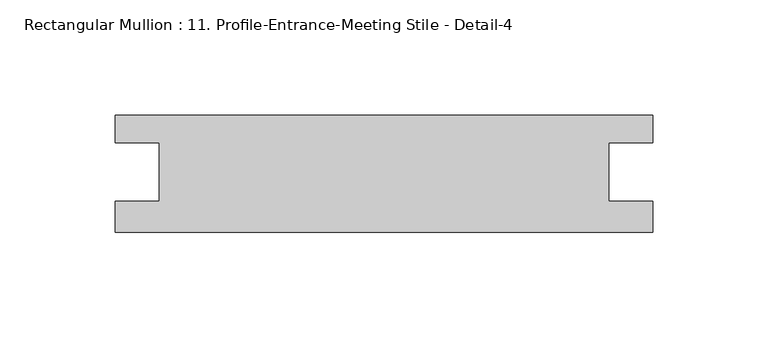
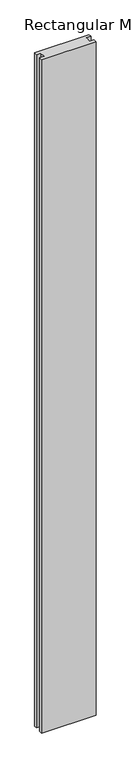
"""IFC4 building model written with IfcOpenShell, lengths in millimetres: member geometry, Rectangular Mullion : 11. Profile-Entrance-Meeting Stile - Detail-4."""

from ifc_helpers import new_model, si_unit, frame, origin, place, context, project, spatial, polyline, outline, extrude, source, transform, mapped, element, save


def rectangular_mullion_11_profile_entrance_meeting_stile_detail_e127f47b(model_context):
    return source(origin(), model_context, "Body", "SweptSolid", [
        extrude(outline(polyline([(-233.3481183, 50.8), (0.0, 50.8), (0.0, 38.9331245), (-19.0246, 38.9331245), (-19.0246, 13.53693), (0.0, 13.53693), (0.0, 0.0), (-233.3481183, 0.0), (-233.3481183, 13.53693), (-214.3235183, 13.53693), (-214.3235183, 38.9331245), (-233.3481183, 38.9331245), (-233.3481183, 50.8)])), frame((0.0, 0.0, -3048.0), z_axis=(0.0, 0.0, 1.0), x_axis=(1.0, 0.0, 0.0)), (0.0, 0.0, 1.0), 3048.0),
    ])


if __name__ == "__main__":
    model = new_model("IFC4")
    model_context = context("Model", 3, world=origin())
    ifc_project = project(units=[si_unit("LENGTHUNIT", "METRE", prefix="MILLI")], contexts=[model_context])
    site = spatial("IfcSite", under=ifc_project)
    building = spatial("IfcBuilding", under=site)
    placement = place(None, origin())
    rectangular_mullion_11_profile_entrance_meeting_stile_detail_shape = rectangular_mullion_11_profile_entrance_meeting_stile_detail_e127f47b(model_context)
    element("IfcMember", 1, ObjectType="Rectangular Mullion : 11. Profile-Entrance-Meeting Stile - Detail-4", at=placement, inside=building, context=model_context, shape_type="MappedRepresentation", body=[
        mapped(rectangular_mullion_11_profile_entrance_meeting_stile_detail_shape, transform((0.0, 0.0, 0.0), x_axis=(1.0, 0.0, 0.0), y_axis=(0.0, 1.0, 0.0), z_axis=(0.0, 0.0, 1.0))),
    ])
    save(model, "model.ifc")
